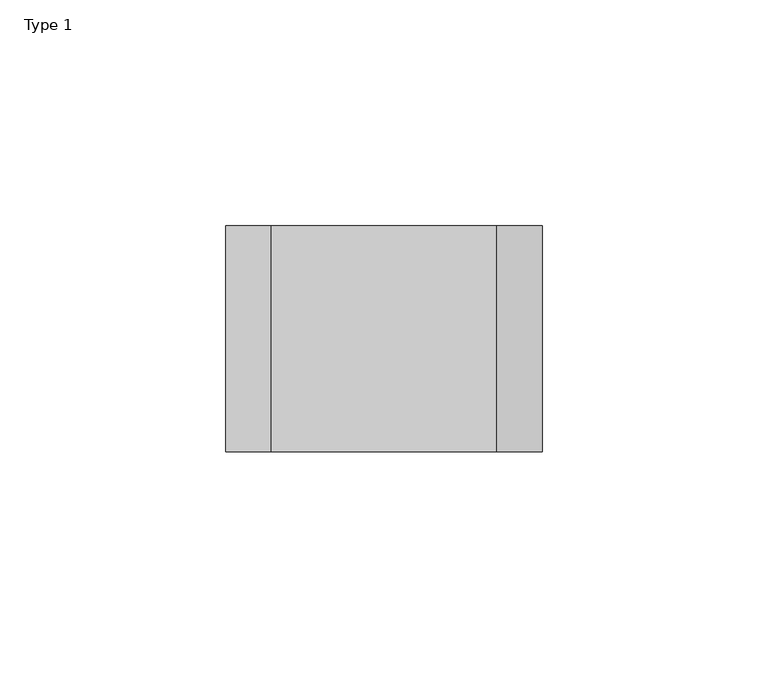
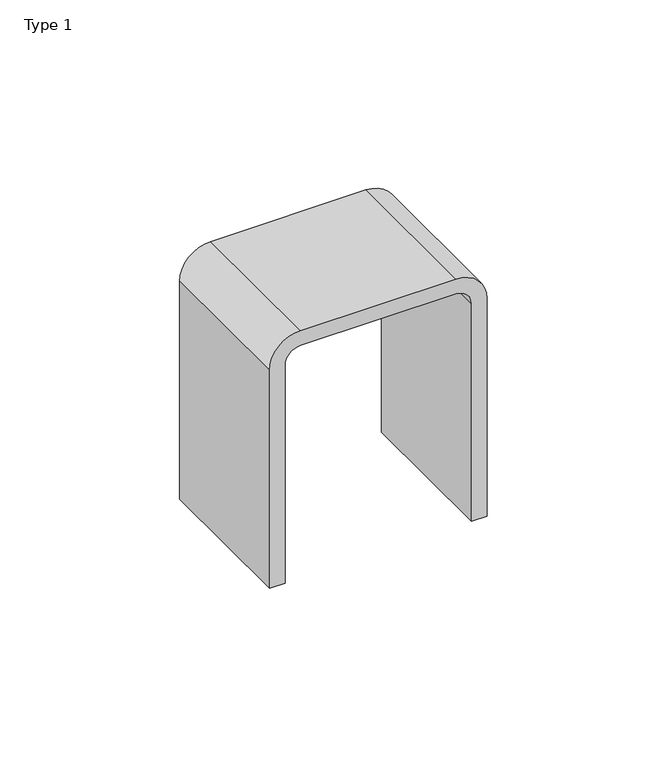
"""IFC4 building model written with IfcOpenShell, lengths in millimetres: proxy geometry, Type 1."""

import ifcopenshell
import ifcopenshell.guid

model = None  # the IFC model being written
_history = None  # IfcOwnerHistory: only IFC2X3 demands one
_inside = {}  # id of a spatial element -> (the spatial element, [elements in it])
_under = {}  # id of a project, library or spatial element -> (it, [spatial elements below it])
_declared = {}  # id of a project -> (the project, [libraries it declares])
_typed = {}  # id of a type object -> (the type object, [elements of that type])
_made_of = {}  # id of a material, layer set ... -> (it, [elements and type objects made of it])


def new_model(schema):
    """Start an empty IFC model of exactly this schema.

    Asked for "IFC4X3", IfcOpenShell would pick the latest addendum, in which some entities
    have other attributes; the version numbers below select the first issue.
    IFC2X3 requires an IfcOwnerHistory on every rooted entity: one is made here for all.
    """
    global model, _history
    if schema == "IFC4X3":
        model = ifcopenshell.file(schema_version=(4, 3, 0, 0))
    else:
        model = ifcopenshell.file(schema=schema)
    _inside.clear()
    _under.clear()
    _declared.clear()
    _typed.clear()
    _made_of.clear()
    _history = None
    if model.schema == "IFC2X3":
        org = make("IfcOrganization", Name="unknown")
        user = make(
            "IfcPersonAndOrganization",
            ThePerson=make("IfcPerson", FamilyName="unknown"),
            TheOrganization=org,
        )
        app = make(
            "IfcApplication",
            ApplicationDeveloper=org,
            Version="unknown",
            ApplicationFullName="unknown",
            ApplicationIdentifier="unknown",
        )
        _history = make(
            "IfcOwnerHistory",
            OwningUser=user,
            OwningApplication=app,
            ChangeAction="ADDED",
            CreationDate=0,
        )
    return model


def make(cls, **values):
    """One entity of the class cls with the attributes given. An attribute that is None is left unset."""
    return model.create_entity(
        cls, **{name: value for name, value in values.items() if value is not None}
    )


def rooted(cls, **values):
    """An entity with a GlobalId (a new one), such as an element, a storey or a relation."""
    return make(cls, GlobalId=ifcopenshell.guid.new(), OwnerHistory=_history, **values)


def si_unit(unit_type, name, prefix=None):
    """IfcSIUnit, for example si_unit("LENGTHUNIT", "METRE", prefix="MILLI")."""
    return make("IfcSIUnit", UnitType=unit_type, Prefix=prefix, Name=name)


def assignment(units):
    """IfcUnitAssignment: the units of a project."""
    return None if units is None else make("IfcUnitAssignment", Units=units)


def point(xyz):
    """IfcCartesianPoint."""
    return None if xyz is None else make("IfcCartesianPoint", Coordinates=xyz)


def direction(xyz):
    """IfcDirection."""
    return None if xyz is None else make("IfcDirection", DirectionRatios=xyz)


def frame(location, z_axis=None, x_axis=None):
    """IfcAxis2Placement3D, a coordinate frame: its origin and axes. An axis left out is left unset."""
    return make(
        "IfcAxis2Placement3D",
        Location=point(location),
        Axis=direction(z_axis),
        RefDirection=direction(x_axis),
    )


def frame_2d(location, x_axis=None):
    """IfcAxis2Placement2D, a coordinate frame in the plane: its origin and x axis."""
    return make(
        "IfcAxis2Placement2D", Location=point(location), RefDirection=direction(x_axis)
    )


def origin():
    """The frame at (0, 0, 0) with its axes left unset."""
    return frame((0.0, 0.0, 0.0))


def place(relative_to, where):
    """IfcLocalPlacement: puts the frame where relative to a parent placement (None: the world)."""
    return make(
        "IfcLocalPlacement", PlacementRelTo=relative_to, RelativePlacement=where
    )


def context(
    kind, dimensions, precision=None, world=None, true_north=None, identifier=None
):
    """IfcGeometricRepresentationContext, for example the 3D "Model" context."""
    return make(
        "IfcGeometricRepresentationContext",
        ContextIdentifier=identifier,
        ContextType=kind,
        CoordinateSpaceDimension=dimensions,
        Precision=precision,
        WorldCoordinateSystem=world,
        TrueNorth=true_north,
    )


def project(units=None, contexts=None):
    """IfcProject with its units and contexts."""
    return rooted(
        "IfcProject",
        Name="project",
        RepresentationContexts=contexts,
        UnitsInContext=assignment(units),
    )


def spatial(cls, under=None, at=None, **own):
    """A site, building, storey or space (cls), placed at a placement, below another one or the project."""
    s = rooted(cls, ObjectPlacement=at, **own)
    if under is not None:
        _under.setdefault(under.id(), (under, []))[1].append(s)
    return s


def polyline(points):
    """IfcPolyline through the points."""
    return make("IfcPolyline", Points=[point(p) for p in points])


def circle_curve(where, radius):
    """IfcCircle in the frame where."""
    return make("IfcCircle", Position=where, Radius=radius)


def trimmed(basis, trim1, trim2, sense, master):
    """IfcTrimmedCurve: the piece of a basis curve between two trims."""
    return make(
        "IfcTrimmedCurve",
        BasisCurve=basis,
        Trim1=trim1,
        Trim2=trim2,
        SenseAgreement=sense,
        MasterRepresentation=master,
    )


def segment(curve, same_sense, transition):
    """IfcCompositeCurveSegment."""
    return make(
        "IfcCompositeCurveSegment",
        Transition=transition,
        SameSense=same_sense,
        ParentCurve=curve,
    )


def composite_curve(segments, self_intersect=None):
    """IfcCompositeCurve: segments joined end to end."""
    return make("IfcCompositeCurve", Segments=segments, SelfIntersect=self_intersect)


def outline(outer, holes=None, kind="AREA"):
    """IfcArbitraryClosedProfileDef: a profile drawn as a closed curve; with holes, ...WithVoids."""
    if holes is None:
        return make("IfcArbitraryClosedProfileDef", ProfileType=kind, OuterCurve=outer)
    return make(
        "IfcArbitraryProfileDefWithVoids",
        ProfileType=kind,
        OuterCurve=outer,
        InnerCurves=holes,
    )


def extrude(swept, where, along, depth):
    """IfcExtrudedAreaSolid: the profile swept, set in the frame where, extruded along a direction by depth."""
    return make(
        "IfcExtrudedAreaSolid",
        SweptArea=swept,
        Position=where,
        ExtrudedDirection=direction(along),
        Depth=depth,
    )


def shape(context_of_items, identifier, shape_type, items):
    """IfcShapeRepresentation: the items that make up one representation, for example the "Body"."""
    return make(
        "IfcShapeRepresentation",
        ContextOfItems=context_of_items,
        RepresentationIdentifier=identifier,
        RepresentationType=shape_type,
        Items=items,
    )


def source(mapping_origin, context_of_items, identifier, shape_type, items):
    """IfcRepresentationMap: a shape defined once, which mapped items show again and again."""
    return make(
        "IfcRepresentationMap",
        MappingOrigin=mapping_origin,
        MappedRepresentation=shape(context_of_items, identifier, shape_type, items),
    )


def transform(
    local_origin,
    x_axis=None,
    y_axis=None,
    z_axis=None,
    scale=None,
    scale2=None,
    scale3=None,
    uniform=True,
):
    """IfcCartesianTransformationOperator3D, or its non-uniform kind. x_axis, y_axis, z_axis: its Axis1, 2, 3."""
    if uniform:
        return make(
            "IfcCartesianTransformationOperator3D",
            Axis1=direction(x_axis),
            Axis2=direction(y_axis),
            LocalOrigin=point(local_origin),
            Scale=scale,
            Axis3=direction(z_axis),
        )
    return make(
        "IfcCartesianTransformationOperator3DnonUniform",
        Axis1=direction(x_axis),
        Axis2=direction(y_axis),
        LocalOrigin=point(local_origin),
        Scale=scale,
        Axis3=direction(z_axis),
        Scale2=scale2,
        Scale3=scale3,
    )


def mapped(mapping_source, mapping_target):
    """IfcMappedItem: shows the shape of a source again, moved by a transform."""
    return make(
        "IfcMappedItem", MappingSource=mapping_source, MappingTarget=mapping_target
    )


def made_of(thing, what):
    """Note that an element or type object is made of a material, layer set ...; save() writes the relation."""
    if what is not None:
        _made_of.setdefault(what.id(), (what, []))[1].append(thing)
    return thing


def element(
    cls,
    number,
    at=None,
    inside=None,
    cuts=None,
    type_object=None,
    material=None,
    context=None,
    identifier="Body",
    shape_type=None,
    held_by="IfcProductDefinitionShape",
    body=None,
    shapes=None,
    **own,
):
    """One element of the class cls, such as IfcWall. Its Tag is "e" and its number.

    at: its placement. inside: the storey or other place that contains it. cuts: it is an
    opening in that element (IfcRelVoidsElement). A single representation is given by context,
    identifier, shape_type and body (its items); several are given by shapes. held_by: the class
    of the entity that holds the representations. save() writes the other relations.
    """
    e = rooted(cls, Tag="e%d" % number, ObjectPlacement=at, **own)
    if body is not None:
        shapes = [shape(context, identifier, shape_type, body)]
    if shapes is not None:
        e.Representation = make(held_by, Representations=shapes)
    if inside is not None:
        _inside.setdefault(inside.id(), (inside, []))[1].append(e)
    if cuts is not None:
        rooted(
            "IfcRelVoidsElement", RelatingBuildingElement=cuts, RelatedOpeningElement=e
        )
    if type_object is not None:
        _typed.setdefault(type_object.id(), (type_object, []))[1].append(e)
    return made_of(e, material)


def aggregate(whole, parts):
    """IfcRelAggregates: a whole, such as a stair, and the parts it consists of."""
    return rooted("IfcRelAggregates", RelatingObject=whole, RelatedObjects=parts)


def save(model, path):
    """Write the relations noted so far, then the file.

    IfcRelAggregates (storeys below a building ...), IfcRelContainedInSpatialStructure (elements
    in a storey), IfcRelDefinesByType, IfcRelAssociatesMaterial and IfcRelDeclares: one each for
    every whole, place, type object, material and project.
    """
    for whole, parts in _under.values():
        aggregate(whole, parts)
    for where, things in _inside.values():
        rooted(
            "IfcRelContainedInSpatialStructure",
            RelatedElements=things,
            RelatingStructure=where,
        )
    for kind, things in _typed.values():
        rooted("IfcRelDefinesByType", RelatedObjects=things, RelatingType=kind)
    for what, things in _made_of.values():
        rooted("IfcRelAssociatesMaterial", RelatedObjects=things, RelatingMaterial=what)
    for by, libraries in _declared.values():
        rooted("IfcRelDeclares", RelatingContext=by, RelatedDefinitions=libraries)
    model.write(path)


def type_1_6457624a(model_context):
    return source(origin(), model_context, "Body", "SweptSolid", [
        extrude(outline(composite_curve([segment(polyline([(90.0, -35.0), (16.0, -35.0), (16.0, -30.0), (90.0, -30.0)]), True, "CONTINUOUS"), segment(trimmed(circle_curve(frame_2d((90.0, -25.0)), 5.0), [point((90.0, -30.0))], [point((95.0, -25.0))], True, "CARTESIAN"), True, "CONTINUOUS"), segment(polyline([(95.0, -25.0), (95.0, 25.0)]), True, "CONTINUOUS"), segment(trimmed(circle_curve(frame_2d((90.0, 25.0)), 5.0), [point((95.0, 25.0))], [point((90.0, 30.0))], True, "CARTESIAN"), True, "CONTINUOUS"), segment(polyline([(90.0, 30.0), (16.0, 30.0), (16.0, 35.0), (90.0, 35.0)]), True, "CONTINUOUS"), segment(trimmed(circle_curve(frame_2d((90.0, 25.0)), 10.0), [point((90.0, 35.0))], [point((100.0, 25.0))], False, "CARTESIAN"), True, "CONTINUOUS"), segment(polyline([(100.0, 25.0), (100.0, -25.0)]), True, "CONTINUOUS"), segment(trimmed(circle_curve(frame_2d((90.0, -25.0)), 10.0), [point((100.0, -25.0))], [point((90.0, -35.0))], False, "CARTESIAN"), True, "CONTINUOUS")], self_intersect=False)), frame((0.0, 222.5, 0.0), z_axis=(0.0, 1.0, 0.0), x_axis=(0.0, 0.0, 1.0)), (0.0, 0.0, 1.0), 50.0),
    ])


if __name__ == "__main__":
    model = new_model("IFC4")
    model_context = context("Model", 3, world=origin())
    ifc_project = project(units=[si_unit("LENGTHUNIT", "METRE", prefix="MILLI")], contexts=[model_context])
    site = spatial("IfcSite", under=ifc_project)
    building = spatial("IfcBuilding", under=site)
    placement = place(None, origin())
    type_1_shape = type_1_6457624a(model_context)
    element("IfcBuildingElementProxy", 1, Name="Type 1", ObjectType="Type 1", at=placement, inside=building, context=model_context, shape_type="MappedRepresentation", body=[
        mapped(type_1_shape, transform((0.0, 0.0, 0.0), x_axis=(1.0, 0.0, 0.0), y_axis=(0.0, 1.0, 0.0), z_axis=(0.0, 0.0, 1.0))),
    ])
    save(model, "model.ifc")
